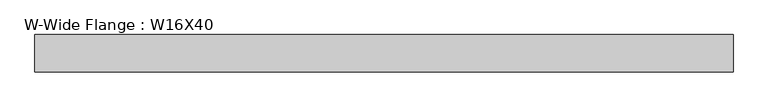
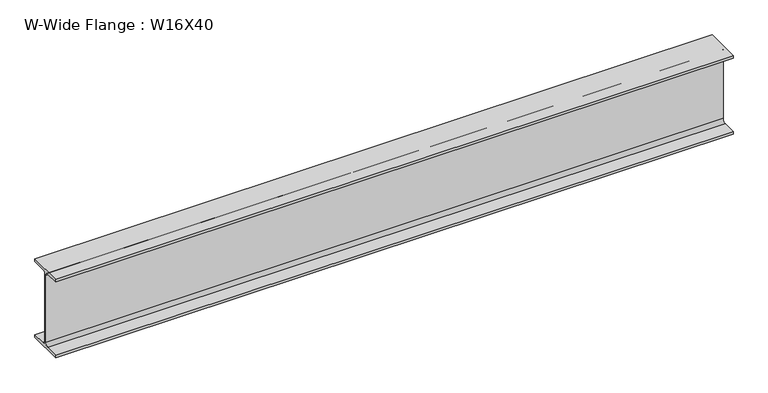
"""IFC4 building model written with IfcOpenShell, lengths in millimetres: beam geometry, W-Wide Flange : W16X40."""

from ifc_helpers import new_model, si_unit, point, frame, frame_2d, origin, place, context, project, spatial, polyline, circle_curve, trimmed, segment, composite_curve, outline, extrude, source, transform, mapped, element, save


def w_wide_flange_w16x40_6a1652b3(model_context):
    return source(origin(), model_context, "Body", "SweptSolid", [
        extrude(outline(composite_curve([segment(polyline([(88.9, -190.4), (88.9, -203.2), (-88.9, -203.2), (-88.9, -190.4), (-21.25, -190.4)]), True, "CONTINUOUS"), segment(trimmed(circle_curve(frame_2d((-21.25, -173.0)), 17.4), [point((-21.25, -190.4))], [point((-3.85, -173.0))], True, "CARTESIAN"), True, "CONTINUOUS"), segment(polyline([(-3.85, -173.0), (-3.85, 173.0)]), True, "CONTINUOUS"), segment(trimmed(circle_curve(frame_2d((-21.25, 173.0)), 17.4), [point((-3.85, 173.0))], [point((-21.25, 190.4))], True, "CARTESIAN"), True, "CONTINUOUS"), segment(polyline([(-21.25, 190.4), (-88.9, 190.4), (-88.9, 203.2), (88.9, 203.2), (88.9, 190.4), (21.25, 190.4)]), True, "CONTINUOUS"), segment(trimmed(circle_curve(frame_2d((21.25, 173.0)), 17.4), [point((21.25, 190.4))], [point((3.85, 173.0))], True, "CARTESIAN"), True, "CONTINUOUS"), segment(polyline([(3.85, 173.0), (3.85, -173.0)]), True, "CONTINUOUS"), segment(trimmed(circle_curve(frame_2d((21.25, -173.0)), 17.4), [point((3.85, -173.0))], [point((21.25, -190.4))], True, "CARTESIAN"), True, "CONTINUOUS"), segment(polyline([(21.25, -190.4), (88.9, -190.4)]), True, "CONTINUOUS")], self_intersect=False)), frame((-443.266383, 0.0, 0.0), z_axis=(1.0, 0.0, 0.0), x_axis=(0.0, 1.0, 0.0)), (0.0, 0.0, 1.0), 3322.949751),
    ])


if __name__ == "__main__":
    model = new_model("IFC4")
    model_context = context("Model", 3, world=origin())
    ifc_project = project(units=[si_unit("LENGTHUNIT", "METRE", prefix="MILLI")], contexts=[model_context])
    site = spatial("IfcSite", under=ifc_project)
    building = spatial("IfcBuilding", under=site)
    placement = place(None, origin())
    w_wide_flange_w16x40_shape = w_wide_flange_w16x40_6a1652b3(model_context)
    element("IfcBeam", 1, ObjectType="W-Wide Flange : W16X40", at=placement, inside=building, context=model_context, shape_type="MappedRepresentation", body=[
        mapped(w_wide_flange_w16x40_shape, transform((0.0, 0.0, 0.0), x_axis=(1.0, 0.0, 0.0), y_axis=(0.0, 1.0, 0.0), z_axis=(0.0, 0.0, 1.0))),
    ])
    save(model, "model.ifc")
